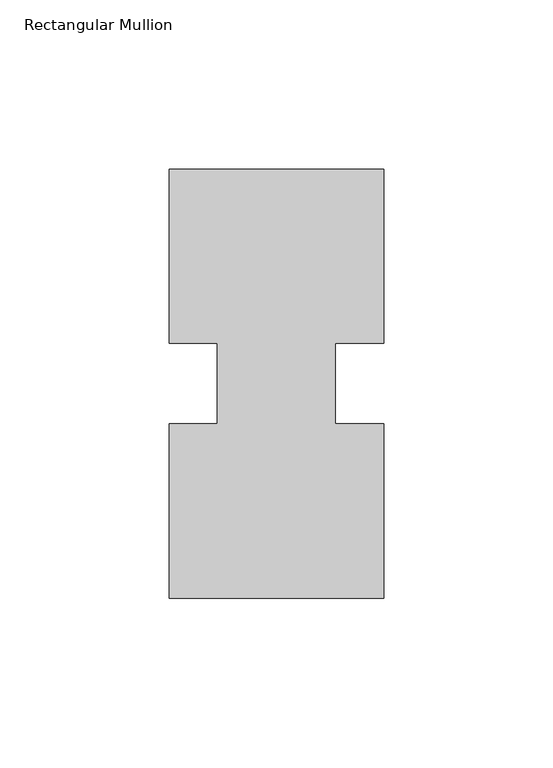
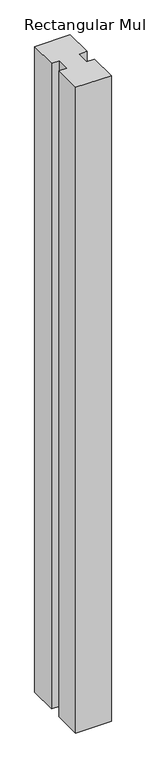
"""IFC4 building model written with IfcOpenShell, lengths in millimetres: member geometry, Rectangular Mullion."""

import ifcopenshell
import ifcopenshell.guid

model = None  # the IFC model being written
_history = None  # IfcOwnerHistory: only IFC2X3 demands one
_inside = {}  # id of a spatial element -> (the spatial element, [elements in it])
_under = {}  # id of a project, library or spatial element -> (it, [spatial elements below it])
_declared = {}  # id of a project -> (the project, [libraries it declares])
_typed = {}  # id of a type object -> (the type object, [elements of that type])
_made_of = {}  # id of a material, layer set ... -> (it, [elements and type objects made of it])


def new_model(schema):
    """Start an empty IFC model of exactly this schema.

    Asked for "IFC4X3", IfcOpenShell would pick the latest addendum, in which some entities
    have other attributes; the version numbers below select the first issue.
    IFC2X3 requires an IfcOwnerHistory on every rooted entity: one is made here for all.
    """
    global model, _history
    if schema == "IFC4X3":
        model = ifcopenshell.file(schema_version=(4, 3, 0, 0))
    else:
        model = ifcopenshell.file(schema=schema)
    _inside.clear()
    _under.clear()
    _declared.clear()
    _typed.clear()
    _made_of.clear()
    _history = None
    if model.schema == "IFC2X3":
        org = make("IfcOrganization", Name="unknown")
        user = make(
            "IfcPersonAndOrganization",
            ThePerson=make("IfcPerson", FamilyName="unknown"),
            TheOrganization=org,
        )
        app = make(
            "IfcApplication",
            ApplicationDeveloper=org,
            Version="unknown",
            ApplicationFullName="unknown",
            ApplicationIdentifier="unknown",
        )
        _history = make(
            "IfcOwnerHistory",
            OwningUser=user,
            OwningApplication=app,
            ChangeAction="ADDED",
            CreationDate=0,
        )
    return model


def make(cls, **values):
    """One entity of the class cls with the attributes given. An attribute that is None is left unset."""
    return model.create_entity(
        cls, **{name: value for name, value in values.items() if value is not None}
    )


def rooted(cls, **values):
    """An entity with a GlobalId (a new one), such as an element, a storey or a relation."""
    return make(cls, GlobalId=ifcopenshell.guid.new(), OwnerHistory=_history, **values)


def si_unit(unit_type, name, prefix=None):
    """IfcSIUnit, for example si_unit("LENGTHUNIT", "METRE", prefix="MILLI")."""
    return make("IfcSIUnit", UnitType=unit_type, Prefix=prefix, Name=name)


def assignment(units):
    """IfcUnitAssignment: the units of a project."""
    return None if units is None else make("IfcUnitAssignment", Units=units)


def point(xyz):
    """IfcCartesianPoint."""
    return None if xyz is None else make("IfcCartesianPoint", Coordinates=xyz)


def direction(xyz):
    """IfcDirection."""
    return None if xyz is None else make("IfcDirection", DirectionRatios=xyz)


def frame(location, z_axis=None, x_axis=None):
    """IfcAxis2Placement3D, a coordinate frame: its origin and axes. An axis left out is left unset."""
    return make(
        "IfcAxis2Placement3D",
        Location=point(location),
        Axis=direction(z_axis),
        RefDirection=direction(x_axis),
    )


def origin():
    """The frame at (0, 0, 0) with its axes left unset."""
    return frame((0.0, 0.0, 0.0))


def place(relative_to, where):
    """IfcLocalPlacement: puts the frame where relative to a parent placement (None: the world)."""
    return make(
        "IfcLocalPlacement", PlacementRelTo=relative_to, RelativePlacement=where
    )


def context(
    kind, dimensions, precision=None, world=None, true_north=None, identifier=None
):
    """IfcGeometricRepresentationContext, for example the 3D "Model" context."""
    return make(
        "IfcGeometricRepresentationContext",
        ContextIdentifier=identifier,
        ContextType=kind,
        CoordinateSpaceDimension=dimensions,
        Precision=precision,
        WorldCoordinateSystem=world,
        TrueNorth=true_north,
    )


def project(units=None, contexts=None):
    """IfcProject with its units and contexts."""
    return rooted(
        "IfcProject",
        Name="project",
        RepresentationContexts=contexts,
        UnitsInContext=assignment(units),
    )


def spatial(cls, under=None, at=None, **own):
    """A site, building, storey or space (cls), placed at a placement, below another one or the project."""
    s = rooted(cls, ObjectPlacement=at, **own)
    if under is not None:
        _under.setdefault(under.id(), (under, []))[1].append(s)
    return s


def polyline(points):
    """IfcPolyline through the points."""
    return make("IfcPolyline", Points=[point(p) for p in points])


def outline(outer, holes=None, kind="AREA"):
    """IfcArbitraryClosedProfileDef: a profile drawn as a closed curve; with holes, ...WithVoids."""
    if holes is None:
        return make("IfcArbitraryClosedProfileDef", ProfileType=kind, OuterCurve=outer)
    return make(
        "IfcArbitraryProfileDefWithVoids",
        ProfileType=kind,
        OuterCurve=outer,
        InnerCurves=holes,
    )


def extrude(swept, where, along, depth):
    """IfcExtrudedAreaSolid: the profile swept, set in the frame where, extruded along a direction by depth."""
    return make(
        "IfcExtrudedAreaSolid",
        SweptArea=swept,
        Position=where,
        ExtrudedDirection=direction(along),
        Depth=depth,
    )


def shape(context_of_items, identifier, shape_type, items):
    """IfcShapeRepresentation: the items that make up one representation, for example the "Body"."""
    return make(
        "IfcShapeRepresentation",
        ContextOfItems=context_of_items,
        RepresentationIdentifier=identifier,
        RepresentationType=shape_type,
        Items=items,
    )


def source(mapping_origin, context_of_items, identifier, shape_type, items):
    """IfcRepresentationMap: a shape defined once, which mapped items show again and again."""
    return make(
        "IfcRepresentationMap",
        MappingOrigin=mapping_origin,
        MappedRepresentation=shape(context_of_items, identifier, shape_type, items),
    )


def transform(
    local_origin,
    x_axis=None,
    y_axis=None,
    z_axis=None,
    scale=None,
    scale2=None,
    scale3=None,
    uniform=True,
):
    """IfcCartesianTransformationOperator3D, or its non-uniform kind. x_axis, y_axis, z_axis: its Axis1, 2, 3."""
    if uniform:
        return make(
            "IfcCartesianTransformationOperator3D",
            Axis1=direction(x_axis),
            Axis2=direction(y_axis),
            LocalOrigin=point(local_origin),
            Scale=scale,
            Axis3=direction(z_axis),
        )
    return make(
        "IfcCartesianTransformationOperator3DnonUniform",
        Axis1=direction(x_axis),
        Axis2=direction(y_axis),
        LocalOrigin=point(local_origin),
        Scale=scale,
        Axis3=direction(z_axis),
        Scale2=scale2,
        Scale3=scale3,
    )


def mapped(mapping_source, mapping_target):
    """IfcMappedItem: shows the shape of a source again, moved by a transform."""
    return make(
        "IfcMappedItem", MappingSource=mapping_source, MappingTarget=mapping_target
    )


def made_of(thing, what):
    """Note that an element or type object is made of a material, layer set ...; save() writes the relation."""
    if what is not None:
        _made_of.setdefault(what.id(), (what, []))[1].append(thing)
    return thing


def element(
    cls,
    number,
    at=None,
    inside=None,
    cuts=None,
    type_object=None,
    material=None,
    context=None,
    identifier="Body",
    shape_type=None,
    held_by="IfcProductDefinitionShape",
    body=None,
    shapes=None,
    **own,
):
    """One element of the class cls, such as IfcWall. Its Tag is "e" and its number.

    at: its placement. inside: the storey or other place that contains it. cuts: it is an
    opening in that element (IfcRelVoidsElement). A single representation is given by context,
    identifier, shape_type and body (its items); several are given by shapes. held_by: the class
    of the entity that holds the representations. save() writes the other relations.
    """
    e = rooted(cls, Tag="e%d" % number, ObjectPlacement=at, **own)
    if body is not None:
        shapes = [shape(context, identifier, shape_type, body)]
    if shapes is not None:
        e.Representation = make(held_by, Representations=shapes)
    if inside is not None:
        _inside.setdefault(inside.id(), (inside, []))[1].append(e)
    if cuts is not None:
        rooted(
            "IfcRelVoidsElement", RelatingBuildingElement=cuts, RelatedOpeningElement=e
        )
    if type_object is not None:
        _typed.setdefault(type_object.id(), (type_object, []))[1].append(e)
    return made_of(e, material)


def aggregate(whole, parts):
    """IfcRelAggregates: a whole, such as a stair, and the parts it consists of."""
    return rooted("IfcRelAggregates", RelatingObject=whole, RelatedObjects=parts)


def save(model, path):
    """Write the relations noted so far, then the file.

    IfcRelAggregates (storeys below a building ...), IfcRelContainedInSpatialStructure (elements
    in a storey), IfcRelDefinesByType, IfcRelAssociatesMaterial and IfcRelDeclares: one each for
    every whole, place, type object, material and project.
    """
    for whole, parts in _under.values():
        aggregate(whole, parts)
    for where, things in _inside.values():
        rooted(
            "IfcRelContainedInSpatialStructure",
            RelatedElements=things,
            RelatingStructure=where,
        )
    for kind, things in _typed.values():
        rooted("IfcRelDefinesByType", RelatedObjects=things, RelatingType=kind)
    for what, things in _made_of.values():
        rooted("IfcRelAssociatesMaterial", RelatedObjects=things, RelatingMaterial=what)
    for by, libraries in _declared.values():
        rooted("IfcRelDeclares", RelatingContext=by, RelatedDefinitions=libraries)
    model.write(path)


def rectangular_mullion_fac4520e(model_context):
    return source(origin(), model_context, "Body", "SweptSolid", [
        extrude(outline(polyline([(-31.75, 127.00635), (31.75, 127.00635), (31.75, 75.40625), (17.4625, 75.40625), (17.4625, 51.60645), (31.75, 51.60645), (31.75, 0.00635), (-31.75, 0.00635), (-31.75, 51.60645), (-17.4625, 51.60645), (-17.4625, 75.40625), (-31.75, 75.40625), (-31.75, 127.00635)])), frame((0.0, 0.0, -1219.2), z_axis=(0.0, 0.0, 1.0), x_axis=(1.0, 0.0, 0.0)), (0.0, 0.0, 1.0), 1219.2),
    ])


if __name__ == "__main__":
    model = new_model("IFC4")
    model_context = context("Model", 3, world=origin())
    ifc_project = project(units=[si_unit("LENGTHUNIT", "METRE", prefix="MILLI")], contexts=[model_context])
    site = spatial("IfcSite", under=ifc_project)
    building = spatial("IfcBuilding", under=site)
    placement = place(None, origin())
    rectangular_mullion_shape = rectangular_mullion_fac4520e(model_context)
    element("IfcMember", 1, ObjectType="Rectangular Mullion", at=placement, inside=building, context=model_context, shape_type="MappedRepresentation", body=[
        mapped(rectangular_mullion_shape, transform((0.0, 0.0, 0.0), x_axis=(1.0, 0.0, 0.0), y_axis=(0.0, 1.0, 0.0), z_axis=(0.0, 0.0, 1.0))),
    ])
    save(model, "model.ifc")
